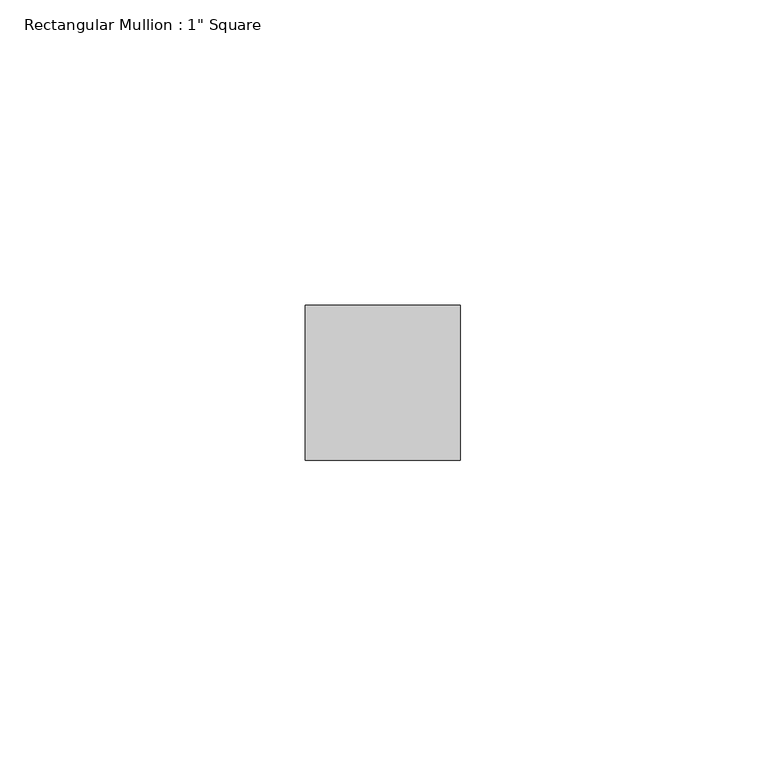
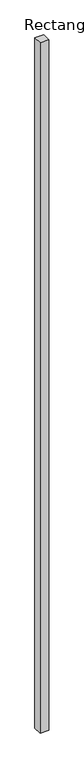
"""IFC4 building model written with IfcOpenShell, lengths in millimetres: member geometry."""

from ifc_helpers import new_model, si_unit, frame, origin, place, context, project, spatial, polyline, outline, extrude, source, transform, mapped, element, save


def member_62da8b5f(model_context):
    return source(origin(), model_context, "Body", "SweptSolid", [
        extrude(outline(polyline([(0.0, 12.7), (0.0, -12.7), (-25.4, -12.7), (-25.4, 12.7), (0.0, 12.7)])), frame((0.0, 0.0, -2095.5), z_axis=(0.0, 0.0, 1.0), x_axis=(1.0, 0.0, 0.0)), (0.0, 0.0, 1.0), 2095.5),
    ])


if __name__ == "__main__":
    model = new_model("IFC4")
    model_context = context("Model", 3, world=origin())
    ifc_project = project(units=[si_unit("LENGTHUNIT", "METRE", prefix="MILLI")], contexts=[model_context])
    site = spatial("IfcSite", under=ifc_project)
    building = spatial("IfcBuilding", under=site)
    placement = place(None, origin())
    member_shape = member_62da8b5f(model_context)
    element("IfcMember", 1, ObjectType="Rectangular Mullion : 1\" Square", at=placement, inside=building, context=model_context, shape_type="MappedRepresentation", body=[
        mapped(member_shape, transform((0.0, 0.0, 0.0), x_axis=(1.0, 0.0, 0.0), y_axis=(0.0, 1.0, 0.0), z_axis=(0.0, 0.0, 1.0))),
    ])
    save(model, "model.ifc")
